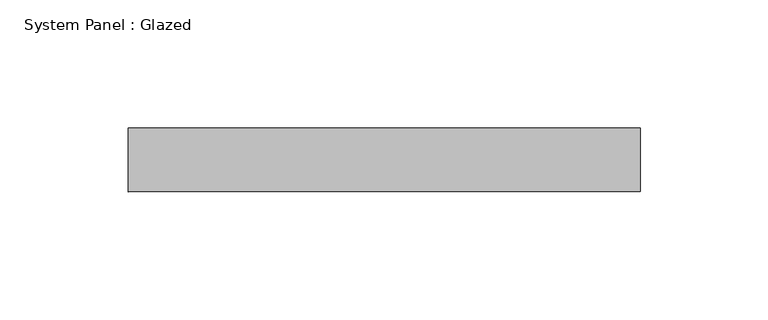
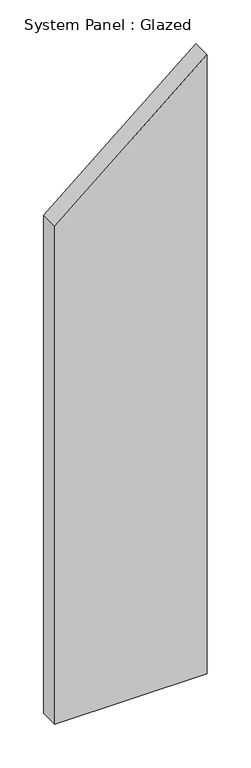
"""IFC4 building model written with IfcOpenShell, lengths in millimetres: plate geometry, System Panel : Glazed."""

from ifc_helpers import new_model, si_unit, frame, origin, place, context, project, spatial, polyline, outline, extrude, source, transform, mapped, element, save


def system_panel_glazed_45d6811c(model_context):
    return source(origin(), model_context, "Body", "SweptSolid", [
        extrude(outline(polyline([(0.0, -100.0), (0.0, 100.0), (859.8583037, 100.0), (692.0383774, -100.0), (0.0, -100.0)])), frame((0.0, 24.5, 0.0), z_axis=(0.0, 1.0, 0.0), x_axis=(0.0, 0.0, 1.0)), (0.0, 0.0, 1.0), 25.0),
    ])


if __name__ == "__main__":
    model = new_model("IFC4")
    model_context = context("Model", 3, world=origin())
    ifc_project = project(units=[si_unit("LENGTHUNIT", "METRE", prefix="MILLI")], contexts=[model_context])
    site = spatial("IfcSite", under=ifc_project)
    building = spatial("IfcBuilding", under=site)
    placement = place(None, origin())
    system_panel_glazed_shape = system_panel_glazed_45d6811c(model_context)
    element("IfcPlate", 1, ObjectType="System Panel : Glazed", at=placement, inside=building, context=model_context, shape_type="MappedRepresentation", body=[
        mapped(system_panel_glazed_shape, transform((0.0, 0.0, 0.0), x_axis=(1.0, 0.0, 0.0), y_axis=(0.0, 1.0, 0.0), z_axis=(0.0, 0.0, 1.0))),
    ])
    save(model, "model.ifc")
